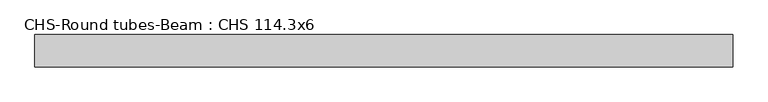
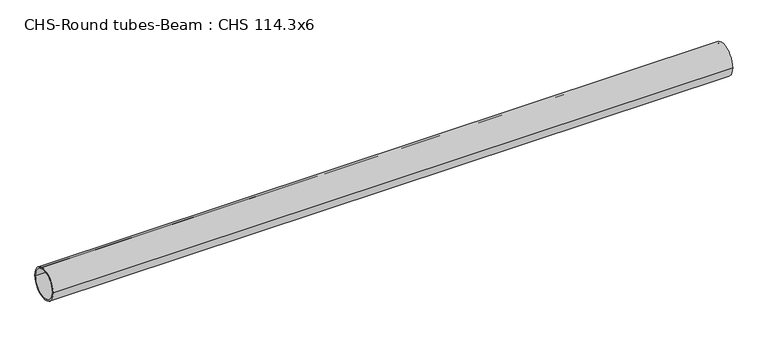
"""IFC4 building model written with IfcOpenShell, lengths in millimetres: beam geometry, CHS-Round tubes-Beam : CHS 114.3x6."""

from ifc_helpers import new_model, si_unit, point, frame, origin, origin_2d, place, context, project, spatial, circle_curve, trimmed, segment, composite_curve, outline, extrude, source, transform, mapped, element, save


def chs_round_tubes_beam_chs_114_3x6_41270846(model_context):
    return source(origin(), model_context, "Body", "SweptSolid", [
        extrude(outline(composite_curve([segment(trimmed(circle_curve(origin_2d(), 57.15), [point((57.15, 0.0))], [point((-57.15, 0.0))], False, "CARTESIAN"), True, "CONTINUOUS"), segment(trimmed(circle_curve(origin_2d(), 57.15), [point((-57.15, 0.0))], [point((57.15, 0.0))], False, "CARTESIAN"), True, "CONTINUOUS")], self_intersect=False), holes=[composite_curve([segment(trimmed(circle_curve(origin_2d(), 51.15), [point((51.15, 0.0))], [point((-51.15, 0.0))], True, "CARTESIAN"), True, "CONTINUOUS"), segment(trimmed(circle_curve(origin_2d(), 51.15), [point((-51.15, 0.0))], [point((51.15, 0.0))], True, "CARTESIAN"), True, "CONTINUOUS")], self_intersect=False)]), frame((-1194.6460578, 0.0, 0.0), z_axis=(1.0, 0.0, 0.0), x_axis=(0.0, 1.0, 0.0)), (0.0, 0.0, 1.0), 2473.7899509),
    ])


if __name__ == "__main__":
    model = new_model("IFC4")
    model_context = context("Model", 3, world=origin())
    ifc_project = project(units=[si_unit("LENGTHUNIT", "METRE", prefix="MILLI")], contexts=[model_context])
    site = spatial("IfcSite", under=ifc_project)
    building = spatial("IfcBuilding", under=site)
    placement = place(None, origin())
    chs_round_tubes_beam_chs_114_3x6_shape = chs_round_tubes_beam_chs_114_3x6_41270846(model_context)
    element("IfcBeam", 1, ObjectType="CHS-Round tubes-Beam : CHS 114.3x6", at=placement, inside=building, context=model_context, shape_type="MappedRepresentation", body=[
        mapped(chs_round_tubes_beam_chs_114_3x6_shape, transform((0.0, 0.0, 0.0), x_axis=(1.0, 0.0, 0.0), y_axis=(0.0, 1.0, 0.0), z_axis=(0.0, 0.0, 1.0))),
    ])
    save(model, "model.ifc")
